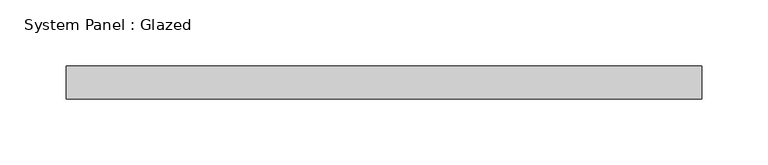
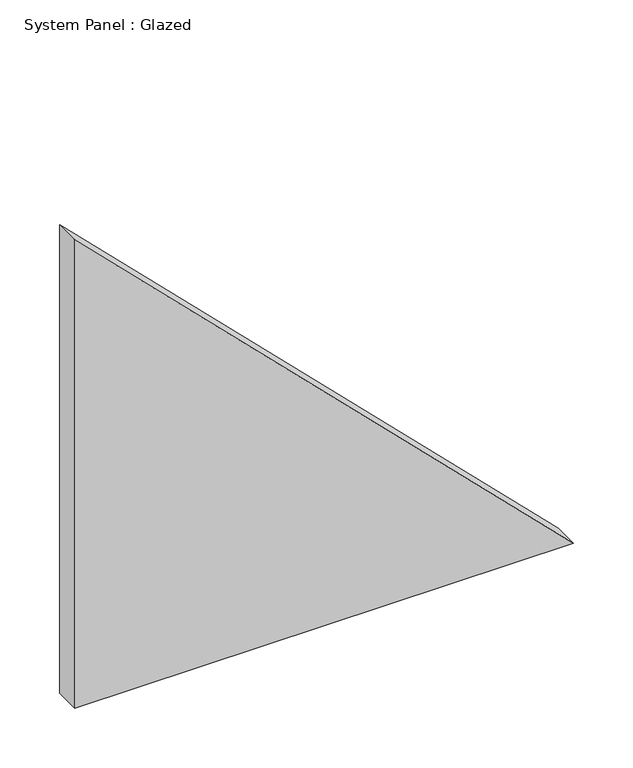
"""IFC4 building model written with IfcOpenShell, lengths in millimetres: plate geometry, System Panel : Glazed."""

from ifc_helpers import new_model, si_unit, frame, origin, place, context, project, spatial, polyline, outline, extrude, source, transform, mapped, element, save


def system_panel_glazed_e7ca119a(model_context):
    return source(origin(), model_context, "Body", "SweptSolid", [
        extrude(outline(polyline([(0.0, -240.7592053), (0.0, 240.7592053), (478.0235199, -240.7592053), (0.0, -240.7592053)])), frame((0.0, 24.5, 0.0), z_axis=(0.0, 1.0, 0.0), x_axis=(0.0, 0.0, 1.0)), (0.0, 0.0, 1.0), 25.0),
    ])


if __name__ == "__main__":
    model = new_model("IFC4")
    model_context = context("Model", 3, world=origin())
    ifc_project = project(units=[si_unit("LENGTHUNIT", "METRE", prefix="MILLI")], contexts=[model_context])
    site = spatial("IfcSite", under=ifc_project)
    building = spatial("IfcBuilding", under=site)
    placement = place(None, origin())
    system_panel_glazed_shape = system_panel_glazed_e7ca119a(model_context)
    element("IfcPlate", 1, ObjectType="System Panel : Glazed", at=placement, inside=building, context=model_context, shape_type="MappedRepresentation", body=[
        mapped(system_panel_glazed_shape, transform((0.0, 0.0, 0.0), x_axis=(1.0, 0.0, 0.0), y_axis=(0.0, 1.0, 0.0), z_axis=(0.0, 0.0, 1.0))),
    ])
    save(model, "model.ifc")
